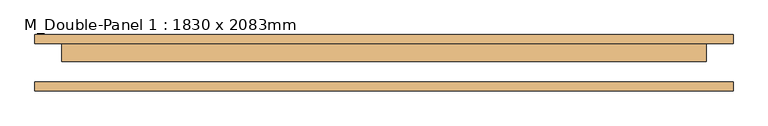
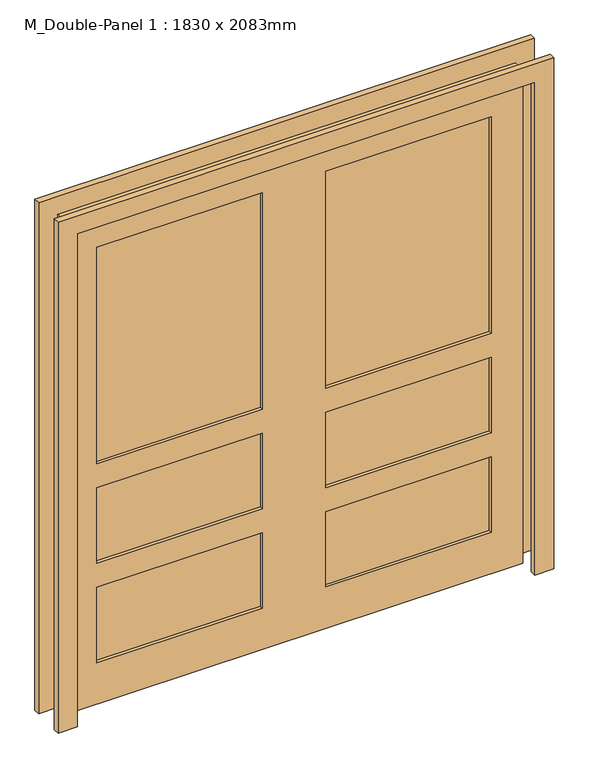
"""IFC4 building model written with IfcOpenShell, lengths in millimetres: door geometry, M_Double-Panel 1 : 1830 x 2083mm."""

from ifc_helpers import new_model, si_unit, frame, origin, place, context, project, spatial, polyline, outline, extrude, source, transform, mapped, element, save


def m_double_panel_1_1830_x_2083mm_81cd2b61(model_context):
    return source(origin(), model_context, "Body", "SweptSolid", [
        extrude(outline(polyline([(2159.0, -991.0), (0.0, -991.0), (0.0, -915.0), (2083.0, -915.0), (2083.0, 915.0), (0.0, 915.0), (0.0, 991.0), (2159.0, 991.0), (2159.0, -991.0)])), frame((0.0, 55.0, 0.0), z_axis=(0.0, 1.0, 0.0), x_axis=(0.0, 0.0, 1.0)), (0.0, 0.0, 1.0), 25.0),
        extrude(outline(polyline([(127.0, 42.3), (788.0, 42.3), (788.0, 16.7), (127.0, 16.7), (127.0, 42.3)])), frame((0.0, 0.0, 1015.6), z_axis=(0.0, 0.0, 1.0), x_axis=(1.0, 0.0, 0.0)), (0.0, 0.0, 1.0), 915.0),
        extrude(outline(polyline([(127.0, 42.3), (788.0, 42.3), (788.0, 16.7), (127.0, 16.7), (127.0, 42.3)])), frame((0.0, 0.0, 595.3), z_axis=(0.0, 0.0, 1.0), x_axis=(1.0, 0.0, 0.0)), (0.0, 0.0, 1.0), 318.3),
        extrude(outline(polyline([(127.0, 42.3), (788.0, 42.3), (788.0, 16.7), (127.0, 16.7), (127.0, 42.3)])), frame((0.0, 0.0, 175.0), z_axis=(0.0, 0.0, 1.0), x_axis=(1.0, 0.0, 0.0)), (0.0, 0.0, 1.0), 318.3),
        extrude(outline(polyline([(-788.0, 42.3), (-127.0, 42.3), (-127.0, 16.7), (-788.0, 16.7), (-788.0, 42.3)])), frame((0.0, 0.0, 1015.6), z_axis=(0.0, 0.0, 1.0), x_axis=(1.0, 0.0, 0.0)), (0.0, 0.0, 1.0), 915.0),
        extrude(outline(polyline([(-788.0, 42.3), (-127.0, 42.3), (-127.0, 16.7), (-788.0, 16.7), (-788.0, 42.3)])), frame((0.0, 0.0, 595.3), z_axis=(0.0, 0.0, 1.0), x_axis=(1.0, 0.0, 0.0)), (0.0, 0.0, 1.0), 318.3),
        extrude(outline(polyline([(-788.0, 42.3), (-127.0, 42.3), (-127.0, 16.7), (-788.0, 16.7), (-788.0, 42.3)])), frame((0.0, 0.0, 175.0), z_axis=(0.0, 0.0, 1.0), x_axis=(1.0, 0.0, 0.0)), (0.0, 0.0, 1.0), 318.3),
        extrude(outline(polyline([(2083.0, -915.0), (0.0, -915.0), (0.0, 915.0), (2083.0, 915.0), (2083.0, -915.0)]), holes=[polyline([(1930.6, 127.0), (1930.6, 788.0), (1015.6, 788.0), (1015.6, 127.0), (1930.6, 127.0)]), polyline([(595.3, 788.0), (595.3, 127.0), (913.6, 127.0), (913.6, 788.0), (595.3, 788.0)]), polyline([(493.3, 788.0), (175.0, 788.0), (175.0, 127.0), (493.3, 127.0), (493.3, 788.0)]), polyline([(1930.6, -127.0), (1015.6, -127.0), (1015.6, -788.0), (1930.6, -788.0), (1930.6, -127.0)]), polyline([(913.6, -788.0), (913.6, -127.0), (595.3, -127.0), (595.3, -788.0), (913.6, -788.0)]), polyline([(175.0, -127.0), (175.0, -788.0), (493.3, -788.0), (493.3, -127.0), (175.0, -127.0)])]), frame((0.0, 4.0, 0.0), z_axis=(0.0, 1.0, 0.0), x_axis=(0.0, 0.0, 1.0)), (0.0, 0.0, 1.0), 51.0),
        extrude(outline(polyline([(2083.0, -915.0), (2083.0, 915.0), (0.0, 915.0), (0.0, 991.0), (2159.0, 991.0), (2159.0, -991.0), (0.0, -991.0), (0.0, -915.0), (2083.0, -915.0)])), frame((0.0, -80.0, 0.0), z_axis=(0.0, 1.0, 0.0), x_axis=(0.0, 0.0, 1.0)), (0.0, 0.0, 1.0), 25.0),
    ])


if __name__ == "__main__":
    model = new_model("IFC4")
    model_context = context("Model", 3, world=origin())
    ifc_project = project(units=[si_unit("LENGTHUNIT", "METRE", prefix="MILLI")], contexts=[model_context])
    site = spatial("IfcSite", under=ifc_project)
    building = spatial("IfcBuilding", under=site)
    placement = place(None, origin())
    m_double_panel_1_1830_x_2083mm_shape = m_double_panel_1_1830_x_2083mm_81cd2b61(model_context)
    element("IfcDoor", 1, ObjectType="M_Double-Panel 1 : 1830 x 2083mm", at=placement, inside=building, context=model_context, shape_type="MappedRepresentation", body=[
        mapped(m_double_panel_1_1830_x_2083mm_shape, transform((0.0, 0.0, 0.0), x_axis=(1.0, 0.0, 0.0), y_axis=(0.0, 1.0, 0.0), z_axis=(0.0, 0.0, 1.0))),
    ])
    save(model, "model.ifc")
